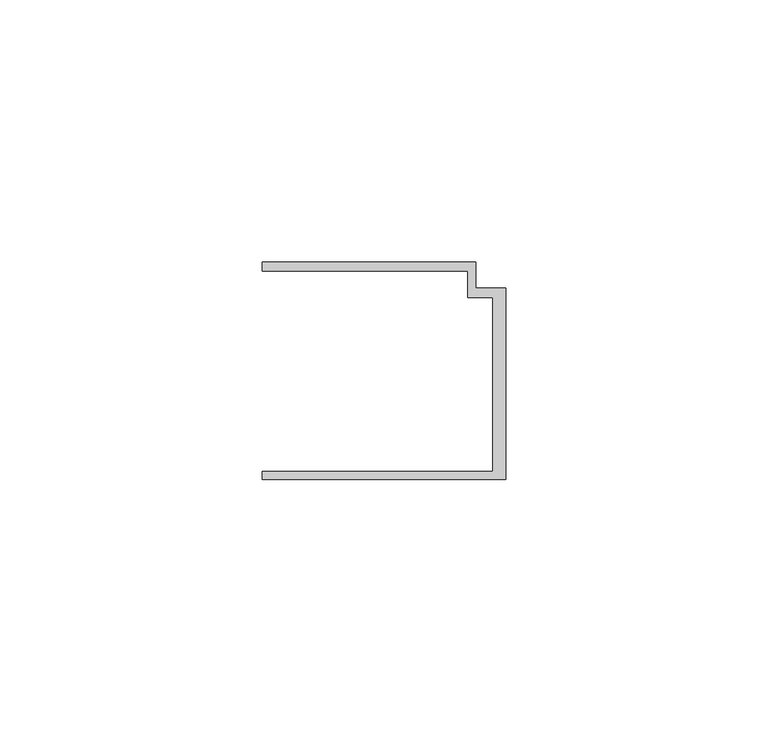
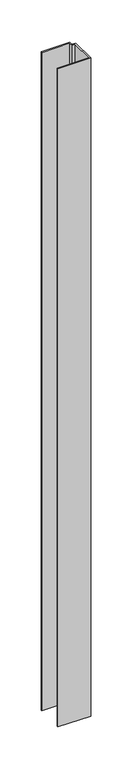
"""IFC4 building model written with IfcOpenShell, lengths in millimetres: member geometry."""

from ifc_helpers import new_model, si_unit, frame, origin, place, context, project, spatial, polyline, outline, extrude, source, transform, mapped, element, save


def member_154b901c(model_context):
    return source(origin(), model_context, "Body", "SweptSolid", [
        extrude(outline(polyline([(-46.3, -19.2), (-2.4, -19.2), (-2.4, 14.0), (-7.2, 14.0), (-7.2, 19.0), (-46.3, 19.0), (-46.3, 20.7), (-5.6999992, 20.7), (-5.6999992, 15.8), (0.0, 15.8), (0.0, -20.7), (-46.3, -20.7), (-46.3, -19.2)])), frame((0.0, 0.0, -979.8), z_axis=(0.0, 0.0, 1.0), x_axis=(1.0, 0.0, 0.0)), (0.0, 0.0, 1.0), 979.8),
    ])


if __name__ == "__main__":
    model = new_model("IFC4")
    model_context = context("Model", 3, world=origin())
    ifc_project = project(units=[si_unit("LENGTHUNIT", "METRE", prefix="MILLI")], contexts=[model_context])
    site = spatial("IfcSite", under=ifc_project)
    building = spatial("IfcBuilding", under=site)
    placement = place(None, origin())
    member_shape = member_154b901c(model_context)
    element("IfcMember", 1, at=placement, inside=building, context=model_context, shape_type="MappedRepresentation", body=[
        mapped(member_shape, transform((0.0, 0.0, 0.0), x_axis=(1.0, 0.0, 0.0), y_axis=(0.0, 1.0, 0.0), z_axis=(0.0, 0.0, 1.0))),
    ])
    save(model, "model.ifc")
